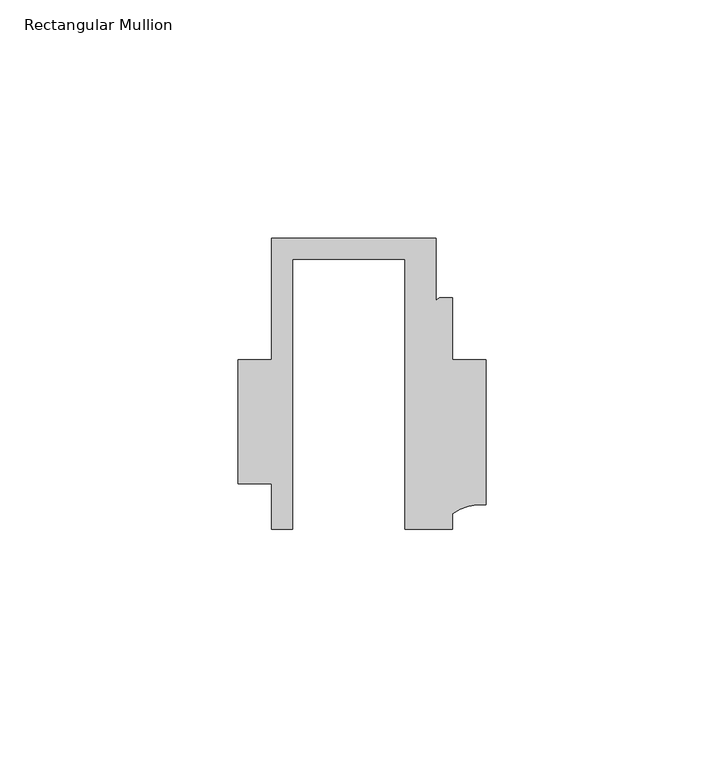
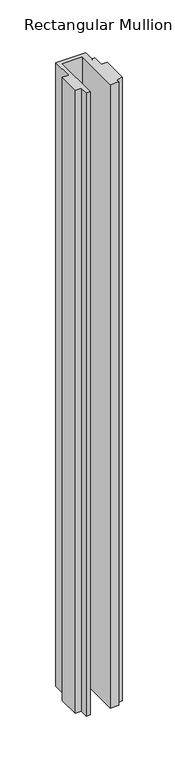
"""IFC4 building model written with IfcOpenShell, lengths in millimetres: member geometry, Rectangular Mullion."""

from ifc_helpers import new_model, si_unit, point, frame, frame_2d, origin, place, context, project, spatial, polyline, circle_curve, trimmed, segment, composite_curve, outline, extrude, source, transform, mapped, element, save


def rectangular_mullion_1bd5787f(model_context):
    return source(origin(), model_context, "Body", "SweptSolid", [
        extrude(outline(composite_curve([segment(polyline([(-23.5999572, -20.5), (-28.0000482, -20.5), (-28.0000482, -10.9795682), (-34.9999873, -10.9795682), (-34.9999873, 15.001276), (-28.0000482, 15.001276), (-28.0000482, 40.499932), (6.5000029, 40.499932), (6.5000029, 27.0002131)]), True, "CONTINUOUS"), segment(trimmed(circle_curve(frame_2d((7.5000029, 27.0002131)), 1.0), [point((6.5000029, 27.0002131))], [point((7.5000029, 28.0002131))], False, "CARTESIAN"), True, "CONTINUOUS"), segment(polyline([(7.5000029, 28.0002131), (10.0000029, 28.0002131), (10.0000029, 15.0004617), (16.999942, 15.0004617), (16.999942, -15.3793686)]), True, "CONTINUOUS"), segment(trimmed(circle_curve(frame_2d((16.1098048, -25.7978024)), 10.4563907), [point((16.999942, -15.3793686))], [point((10.0000029, -17.3121423))], True, "CARTESIAN"), True, "CONTINUOUS"), segment(polyline([(10.0000029, -17.3121423), (10.0000029, -20.5), (0.0, -20.5), (0.0, 36.1008577), (-23.5999572, 36.1008577), (-23.5999572, -20.5)]), True, "CONTINUOUS")], self_intersect=False)), frame((0.0, 0.0, -764.0501522), z_axis=(0.0, 0.0, 1.0), x_axis=(1.0, 0.0, 0.0)), (0.0, 0.0, 1.0), 764.0501522),
    ])


if __name__ == "__main__":
    model = new_model("IFC4")
    model_context = context("Model", 3, world=origin())
    ifc_project = project(units=[si_unit("LENGTHUNIT", "METRE", prefix="MILLI")], contexts=[model_context])
    site = spatial("IfcSite", under=ifc_project)
    building = spatial("IfcBuilding", under=site)
    placement = place(None, origin())
    rectangular_mullion_shape = rectangular_mullion_1bd5787f(model_context)
    element("IfcMember", 1, ObjectType="Rectangular Mullion", at=placement, inside=building, context=model_context, shape_type="MappedRepresentation", body=[
        mapped(rectangular_mullion_shape, transform((0.0, 0.0, 0.0), x_axis=(1.0, 0.0, 0.0), y_axis=(0.0, 1.0, 0.0), z_axis=(0.0, 0.0, 1.0))),
    ])
    save(model, "model.ifc")
